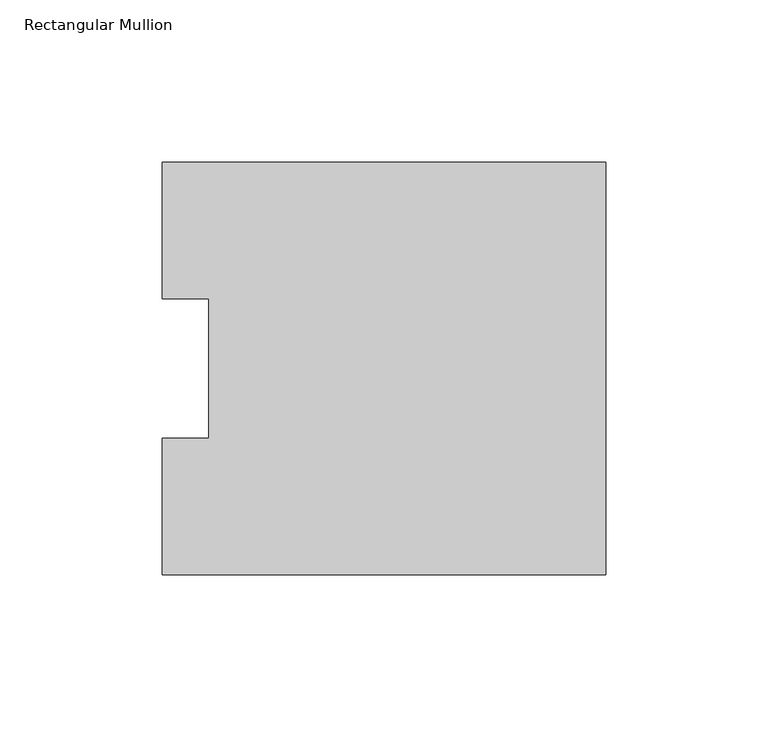
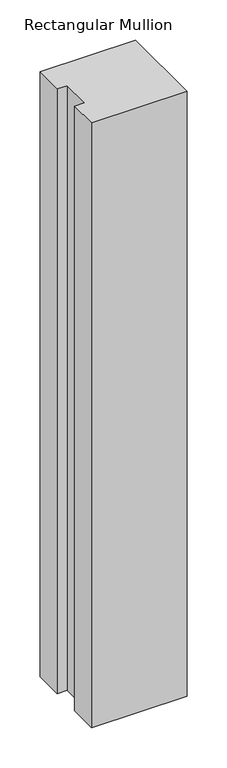
"""IFC4 building model written with IfcOpenShell, lengths in millimetres: member geometry, Rectangular Mullion."""

from ifc_helpers import new_model, si_unit, frame, origin, place, context, project, spatial, polyline, outline, extrude, source, transform, mapped, element, save


def rectangular_mullion_33cb7640(model_context):
    return source(origin(), model_context, "Body", "SweptSolid", [
        extrude(outline(polyline([(0.0, 126.7086937), (0.0, -0.2913063), (-136.525, -0.2913063), (-136.525, 41.7837937), (-122.2375, 41.7837937), (-122.2375, 84.6335938), (-136.525, 84.6335938), (-136.525, 126.7086937), (0.0, 126.7086937)])), frame((0.0, 0.0, -914.4), z_axis=(0.0, 0.0, 1.0), x_axis=(1.0, 0.0, 0.0)), (0.0, 0.0, 1.0), 914.4),
    ])


if __name__ == "__main__":
    model = new_model("IFC4")
    model_context = context("Model", 3, world=origin())
    ifc_project = project(units=[si_unit("LENGTHUNIT", "METRE", prefix="MILLI")], contexts=[model_context])
    site = spatial("IfcSite", under=ifc_project)
    building = spatial("IfcBuilding", under=site)
    placement = place(None, origin())
    rectangular_mullion_shape = rectangular_mullion_33cb7640(model_context)
    element("IfcMember", 1, ObjectType="Rectangular Mullion", at=placement, inside=building, context=model_context, shape_type="MappedRepresentation", body=[
        mapped(rectangular_mullion_shape, transform((0.0, 0.0, 0.0), x_axis=(1.0, 0.0, 0.0), y_axis=(0.0, 1.0, 0.0), z_axis=(0.0, 0.0, 1.0))),
    ])
    save(model, "model.ifc")
